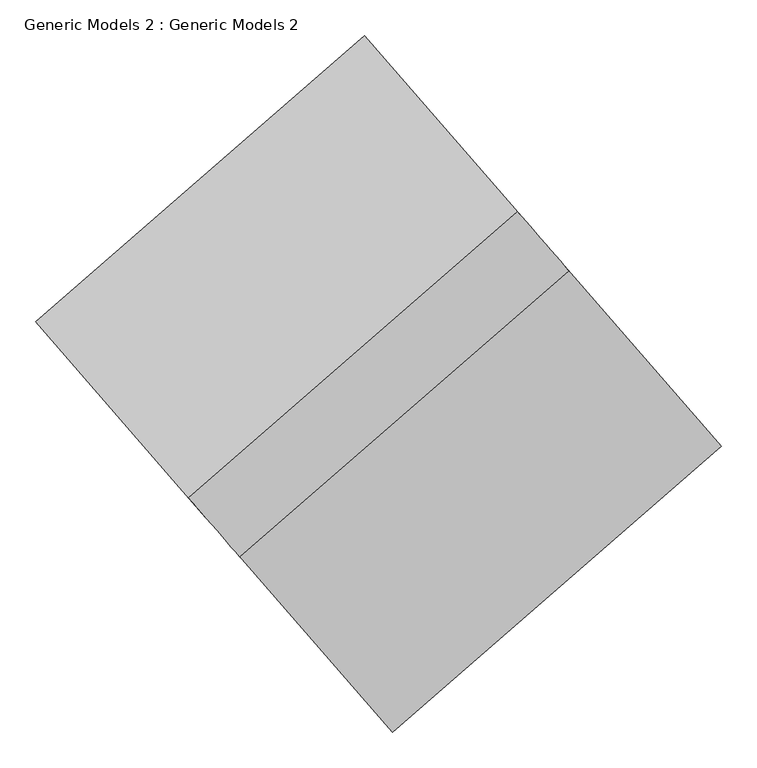
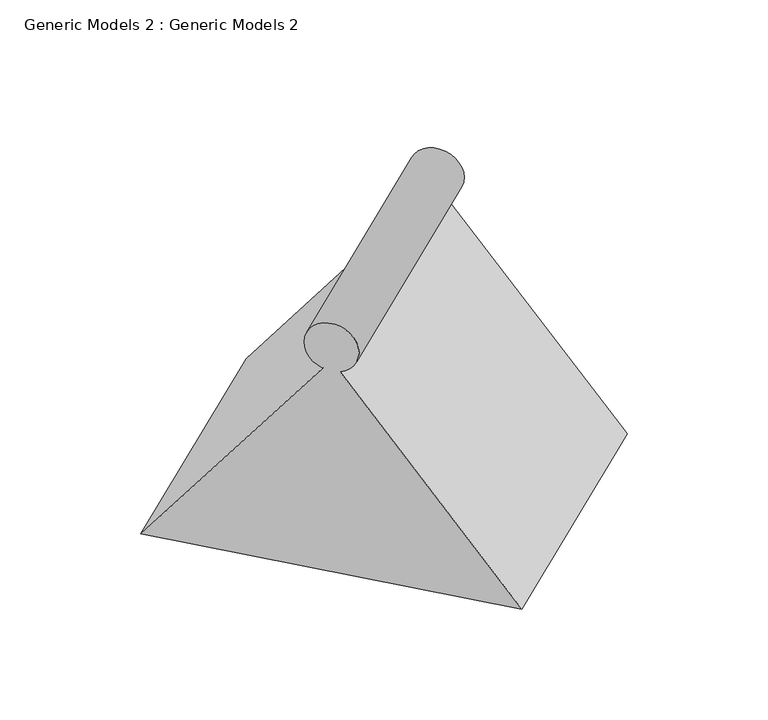
"""IFC4 building model written with IfcOpenShell, lengths in millimetres: proxy geometry, Generic Models 2 : Generic Models 2."""

import ifcopenshell
import ifcopenshell.guid

model = None  # the IFC model being written
_history = None  # IfcOwnerHistory: only IFC2X3 demands one
_inside = {}  # id of a spatial element -> (the spatial element, [elements in it])
_under = {}  # id of a project, library or spatial element -> (it, [spatial elements below it])
_declared = {}  # id of a project -> (the project, [libraries it declares])
_typed = {}  # id of a type object -> (the type object, [elements of that type])
_made_of = {}  # id of a material, layer set ... -> (it, [elements and type objects made of it])


def new_model(schema):
    """Start an empty IFC model of exactly this schema.

    Asked for "IFC4X3", IfcOpenShell would pick the latest addendum, in which some entities
    have other attributes; the version numbers below select the first issue.
    IFC2X3 requires an IfcOwnerHistory on every rooted entity: one is made here for all.
    """
    global model, _history
    if schema == "IFC4X3":
        model = ifcopenshell.file(schema_version=(4, 3, 0, 0))
    else:
        model = ifcopenshell.file(schema=schema)
    _inside.clear()
    _under.clear()
    _declared.clear()
    _typed.clear()
    _made_of.clear()
    _history = None
    if model.schema == "IFC2X3":
        org = make("IfcOrganization", Name="unknown")
        user = make(
            "IfcPersonAndOrganization",
            ThePerson=make("IfcPerson", FamilyName="unknown"),
            TheOrganization=org,
        )
        app = make(
            "IfcApplication",
            ApplicationDeveloper=org,
            Version="unknown",
            ApplicationFullName="unknown",
            ApplicationIdentifier="unknown",
        )
        _history = make(
            "IfcOwnerHistory",
            OwningUser=user,
            OwningApplication=app,
            ChangeAction="ADDED",
            CreationDate=0,
        )
    return model


def make(cls, **values):
    """One entity of the class cls with the attributes given. An attribute that is None is left unset."""
    return model.create_entity(
        cls, **{name: value for name, value in values.items() if value is not None}
    )


def rooted(cls, **values):
    """An entity with a GlobalId (a new one), such as an element, a storey or a relation."""
    return make(cls, GlobalId=ifcopenshell.guid.new(), OwnerHistory=_history, **values)


def si_unit(unit_type, name, prefix=None):
    """IfcSIUnit, for example si_unit("LENGTHUNIT", "METRE", prefix="MILLI")."""
    return make("IfcSIUnit", UnitType=unit_type, Prefix=prefix, Name=name)


def assignment(units):
    """IfcUnitAssignment: the units of a project."""
    return None if units is None else make("IfcUnitAssignment", Units=units)


def point(xyz):
    """IfcCartesianPoint."""
    return None if xyz is None else make("IfcCartesianPoint", Coordinates=xyz)


def direction(xyz):
    """IfcDirection."""
    return None if xyz is None else make("IfcDirection", DirectionRatios=xyz)


def frame(location, z_axis=None, x_axis=None):
    """IfcAxis2Placement3D, a coordinate frame: its origin and axes. An axis left out is left unset."""
    return make(
        "IfcAxis2Placement3D",
        Location=point(location),
        Axis=direction(z_axis),
        RefDirection=direction(x_axis),
    )


def frame_2d(location, x_axis=None):
    """IfcAxis2Placement2D, a coordinate frame in the plane: its origin and x axis."""
    return make(
        "IfcAxis2Placement2D", Location=point(location), RefDirection=direction(x_axis)
    )


def origin():
    """The frame at (0, 0, 0) with its axes left unset."""
    return frame((0.0, 0.0, 0.0))


def place(relative_to, where):
    """IfcLocalPlacement: puts the frame where relative to a parent placement (None: the world)."""
    return make(
        "IfcLocalPlacement", PlacementRelTo=relative_to, RelativePlacement=where
    )


def context(
    kind, dimensions, precision=None, world=None, true_north=None, identifier=None
):
    """IfcGeometricRepresentationContext, for example the 3D "Model" context."""
    return make(
        "IfcGeometricRepresentationContext",
        ContextIdentifier=identifier,
        ContextType=kind,
        CoordinateSpaceDimension=dimensions,
        Precision=precision,
        WorldCoordinateSystem=world,
        TrueNorth=true_north,
    )


def project(units=None, contexts=None):
    """IfcProject with its units and contexts."""
    return rooted(
        "IfcProject",
        Name="project",
        RepresentationContexts=contexts,
        UnitsInContext=assignment(units),
    )


def spatial(cls, under=None, at=None, **own):
    """A site, building, storey or space (cls), placed at a placement, below another one or the project."""
    s = rooted(cls, ObjectPlacement=at, **own)
    if under is not None:
        _under.setdefault(under.id(), (under, []))[1].append(s)
    return s


def polyline(points):
    """IfcPolyline through the points."""
    return make("IfcPolyline", Points=[point(p) for p in points])


def circle_curve(where, radius):
    """IfcCircle in the frame where."""
    return make("IfcCircle", Position=where, Radius=radius)


def trimmed(basis, trim1, trim2, sense, master):
    """IfcTrimmedCurve: the piece of a basis curve between two trims."""
    return make(
        "IfcTrimmedCurve",
        BasisCurve=basis,
        Trim1=trim1,
        Trim2=trim2,
        SenseAgreement=sense,
        MasterRepresentation=master,
    )


def segment(curve, same_sense, transition):
    """IfcCompositeCurveSegment."""
    return make(
        "IfcCompositeCurveSegment",
        Transition=transition,
        SameSense=same_sense,
        ParentCurve=curve,
    )


def composite_curve(segments, self_intersect=None):
    """IfcCompositeCurve: segments joined end to end."""
    return make("IfcCompositeCurve", Segments=segments, SelfIntersect=self_intersect)


def outline(outer, holes=None, kind="AREA"):
    """IfcArbitraryClosedProfileDef: a profile drawn as a closed curve; with holes, ...WithVoids."""
    if holes is None:
        return make("IfcArbitraryClosedProfileDef", ProfileType=kind, OuterCurve=outer)
    return make(
        "IfcArbitraryProfileDefWithVoids",
        ProfileType=kind,
        OuterCurve=outer,
        InnerCurves=holes,
    )


def extrude(swept, where, along, depth):
    """IfcExtrudedAreaSolid: the profile swept, set in the frame where, extruded along a direction by depth."""
    return make(
        "IfcExtrudedAreaSolid",
        SweptArea=swept,
        Position=where,
        ExtrudedDirection=direction(along),
        Depth=depth,
    )


def shape(context_of_items, identifier, shape_type, items):
    """IfcShapeRepresentation: the items that make up one representation, for example the "Body"."""
    return make(
        "IfcShapeRepresentation",
        ContextOfItems=context_of_items,
        RepresentationIdentifier=identifier,
        RepresentationType=shape_type,
        Items=items,
    )


def source(mapping_origin, context_of_items, identifier, shape_type, items):
    """IfcRepresentationMap: a shape defined once, which mapped items show again and again."""
    return make(
        "IfcRepresentationMap",
        MappingOrigin=mapping_origin,
        MappedRepresentation=shape(context_of_items, identifier, shape_type, items),
    )


def transform(
    local_origin,
    x_axis=None,
    y_axis=None,
    z_axis=None,
    scale=None,
    scale2=None,
    scale3=None,
    uniform=True,
):
    """IfcCartesianTransformationOperator3D, or its non-uniform kind. x_axis, y_axis, z_axis: its Axis1, 2, 3."""
    if uniform:
        return make(
            "IfcCartesianTransformationOperator3D",
            Axis1=direction(x_axis),
            Axis2=direction(y_axis),
            LocalOrigin=point(local_origin),
            Scale=scale,
            Axis3=direction(z_axis),
        )
    return make(
        "IfcCartesianTransformationOperator3DnonUniform",
        Axis1=direction(x_axis),
        Axis2=direction(y_axis),
        LocalOrigin=point(local_origin),
        Scale=scale,
        Axis3=direction(z_axis),
        Scale2=scale2,
        Scale3=scale3,
    )


def mapped(mapping_source, mapping_target):
    """IfcMappedItem: shows the shape of a source again, moved by a transform."""
    return make(
        "IfcMappedItem", MappingSource=mapping_source, MappingTarget=mapping_target
    )


def made_of(thing, what):
    """Note that an element or type object is made of a material, layer set ...; save() writes the relation."""
    if what is not None:
        _made_of.setdefault(what.id(), (what, []))[1].append(thing)
    return thing


def element(
    cls,
    number,
    at=None,
    inside=None,
    cuts=None,
    type_object=None,
    material=None,
    context=None,
    identifier="Body",
    shape_type=None,
    held_by="IfcProductDefinitionShape",
    body=None,
    shapes=None,
    **own,
):
    """One element of the class cls, such as IfcWall. Its Tag is "e" and its number.

    at: its placement. inside: the storey or other place that contains it. cuts: it is an
    opening in that element (IfcRelVoidsElement). A single representation is given by context,
    identifier, shape_type and body (its items); several are given by shapes. held_by: the class
    of the entity that holds the representations. save() writes the other relations.
    """
    e = rooted(cls, Tag="e%d" % number, ObjectPlacement=at, **own)
    if body is not None:
        shapes = [shape(context, identifier, shape_type, body)]
    if shapes is not None:
        e.Representation = make(held_by, Representations=shapes)
    if inside is not None:
        _inside.setdefault(inside.id(), (inside, []))[1].append(e)
    if cuts is not None:
        rooted(
            "IfcRelVoidsElement", RelatingBuildingElement=cuts, RelatedOpeningElement=e
        )
    if type_object is not None:
        _typed.setdefault(type_object.id(), (type_object, []))[1].append(e)
    return made_of(e, material)


def aggregate(whole, parts):
    """IfcRelAggregates: a whole, such as a stair, and the parts it consists of."""
    return rooted("IfcRelAggregates", RelatingObject=whole, RelatedObjects=parts)


def save(model, path):
    """Write the relations noted so far, then the file.

    IfcRelAggregates (storeys below a building ...), IfcRelContainedInSpatialStructure (elements
    in a storey), IfcRelDefinesByType, IfcRelAssociatesMaterial and IfcRelDeclares: one each for
    every whole, place, type object, material and project.
    """
    for whole, parts in _under.values():
        aggregate(whole, parts)
    for where, things in _inside.values():
        rooted(
            "IfcRelContainedInSpatialStructure",
            RelatedElements=things,
            RelatingStructure=where,
        )
    for kind, things in _typed.values():
        rooted("IfcRelDefinesByType", RelatedObjects=things, RelatingType=kind)
    for what, things in _made_of.values():
        rooted("IfcRelAssociatesMaterial", RelatedObjects=things, RelatingMaterial=what)
    for by, libraries in _declared.values():
        rooted("IfcRelDeclares", RelatingContext=by, RelatedDefinitions=libraries)
    model.write(path)


def generic_models_2_generic_models_2_15b00cce(model_context):
    return source(origin(), model_context, "Body", "SweptSolid", [
        extrude(outline(composite_curve([segment(polyline([(0.0, 0.0), (-470.0084247, -601.5833502), (-613.1349104, -27.5343704)]), True, "CONTINUOUS"), segment(trimmed(circle_curve(frame_2d((-643.7389848, 18.1645424)), 55.0), [point((-613.1349104, -27.5343704))], [point((-591.8251196, 0.0))], False, "CARTESIAN"), True, "CONTINUOUS"), segment(polyline([(-591.8251196, 0.0), (0.0, 0.0)]), True, "CONTINUOUS")], self_intersect=False)), frame((21157.6303742, 23343.9386759, 2000.0), z_axis=(0.7547095802227797, 0.6560590289904986, 0.0), x_axis=(-0.4039102696890089, 0.4646456136023644, -0.7880107536067222)), (0.0, 0.0, 1.0), 611.8689016),
    ])


if __name__ == "__main__":
    model = new_model("IFC4")
    model_context = context("Model", 3, world=origin())
    ifc_project = project(units=[si_unit("LENGTHUNIT", "METRE", prefix="MILLI")], contexts=[model_context])
    site = spatial("IfcSite", under=ifc_project)
    building = spatial("IfcBuilding", under=site)
    placement = place(None, origin())
    generic_models_2_generic_models_2_shape = generic_models_2_generic_models_2_15b00cce(model_context)
    element("IfcBuildingElementProxy", 1, Name="Generic Models 2 : Generic Models 2", ObjectType="Generic Models 2 : Generic Models 2", at=placement, inside=building, context=model_context, shape_type="MappedRepresentation", body=[
        mapped(generic_models_2_generic_models_2_shape, transform((0.0, 0.0, 0.0), x_axis=(1.0, 0.0, 0.0), y_axis=(0.0, 1.0, 0.0), z_axis=(0.0, 0.0, 1.0))),
    ])
    save(model, "model.ifc")
